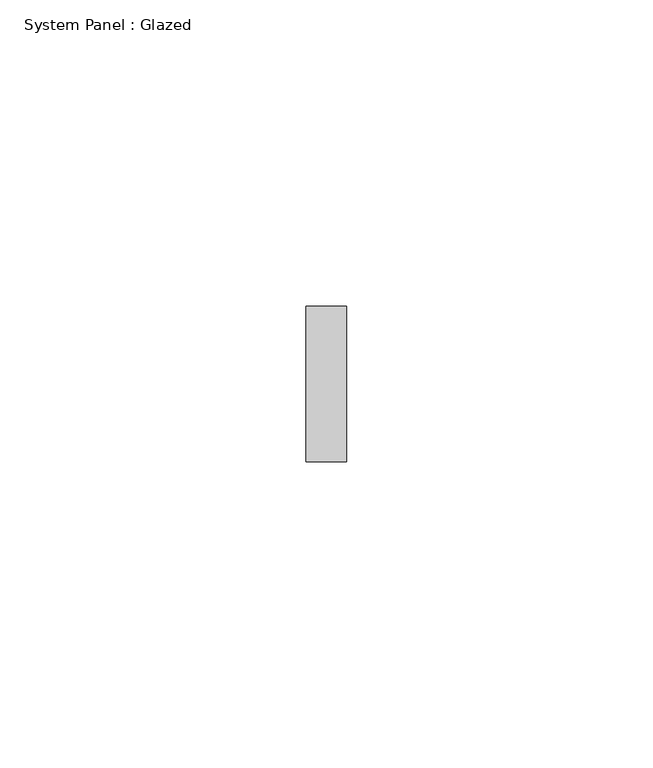
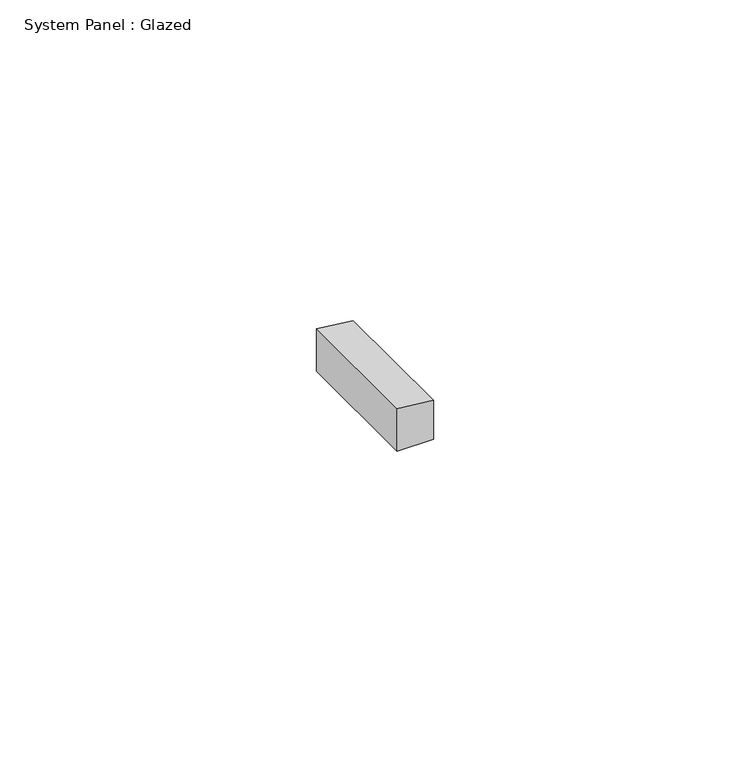
"""IFC4 building model written with IfcOpenShell, lengths in millimetres: plate geometry, System Panel : Glazed."""

from ifc_helpers import new_model, si_unit, frame, origin, place, context, project, spatial, polyline, outline, extrude, source, transform, mapped, element, save


def system_panel_glazed_4e9b09e8(model_context):
    return source(origin(), model_context, "Body", "SweptSolid", [
        extrude(outline(polyline([(0.0, -3.3250873), (0.0, 3.3250873), (7.4519819, 3.3250873), (8.1839591, -3.3250873), (0.0, -3.3250873)])), frame((0.0, 19.05, 0.0), z_axis=(0.0, 1.0, 0.0), x_axis=(0.0, 0.0, 1.0)), (0.0, 0.0, 1.0), 25.4),
    ])


if __name__ == "__main__":
    model = new_model("IFC4")
    model_context = context("Model", 3, world=origin())
    ifc_project = project(units=[si_unit("LENGTHUNIT", "METRE", prefix="MILLI")], contexts=[model_context])
    site = spatial("IfcSite", under=ifc_project)
    building = spatial("IfcBuilding", under=site)
    placement = place(None, origin())
    system_panel_glazed_shape = system_panel_glazed_4e9b09e8(model_context)
    element("IfcPlate", 1, ObjectType="System Panel : Glazed", at=placement, inside=building, context=model_context, shape_type="MappedRepresentation", body=[
        mapped(system_panel_glazed_shape, transform((0.0, 0.0, 0.0), x_axis=(1.0, 0.0, 0.0), y_axis=(0.0, 1.0, 0.0), z_axis=(0.0, 0.0, 1.0))),
    ])
    save(model, "model.ifc")
